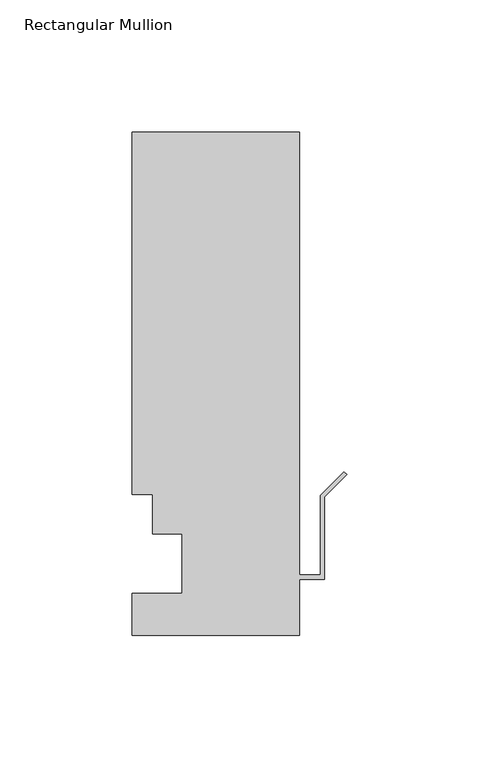
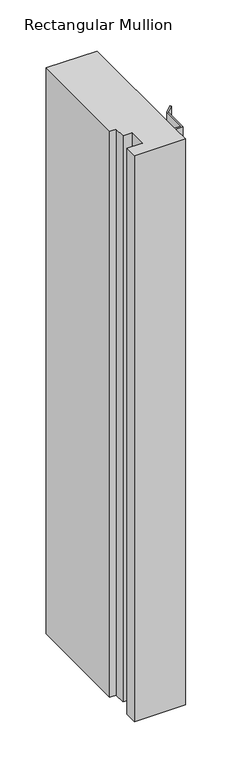
"""IFC4 building model written with IfcOpenShell, lengths in millimetres: member geometry, Rectangular Mullion."""

import ifcopenshell
import ifcopenshell.guid

model = None  # the IFC model being written
_history = None  # IfcOwnerHistory: only IFC2X3 demands one
_inside = {}  # id of a spatial element -> (the spatial element, [elements in it])
_under = {}  # id of a project, library or spatial element -> (it, [spatial elements below it])
_declared = {}  # id of a project -> (the project, [libraries it declares])
_typed = {}  # id of a type object -> (the type object, [elements of that type])
_made_of = {}  # id of a material, layer set ... -> (it, [elements and type objects made of it])


def new_model(schema):
    """Start an empty IFC model of exactly this schema.

    Asked for "IFC4X3", IfcOpenShell would pick the latest addendum, in which some entities
    have other attributes; the version numbers below select the first issue.
    IFC2X3 requires an IfcOwnerHistory on every rooted entity: one is made here for all.
    """
    global model, _history
    if schema == "IFC4X3":
        model = ifcopenshell.file(schema_version=(4, 3, 0, 0))
    else:
        model = ifcopenshell.file(schema=schema)
    _inside.clear()
    _under.clear()
    _declared.clear()
    _typed.clear()
    _made_of.clear()
    _history = None
    if model.schema == "IFC2X3":
        org = make("IfcOrganization", Name="unknown")
        user = make(
            "IfcPersonAndOrganization",
            ThePerson=make("IfcPerson", FamilyName="unknown"),
            TheOrganization=org,
        )
        app = make(
            "IfcApplication",
            ApplicationDeveloper=org,
            Version="unknown",
            ApplicationFullName="unknown",
            ApplicationIdentifier="unknown",
        )
        _history = make(
            "IfcOwnerHistory",
            OwningUser=user,
            OwningApplication=app,
            ChangeAction="ADDED",
            CreationDate=0,
        )
    return model


def make(cls, **values):
    """One entity of the class cls with the attributes given. An attribute that is None is left unset."""
    return model.create_entity(
        cls, **{name: value for name, value in values.items() if value is not None}
    )


def rooted(cls, **values):
    """An entity with a GlobalId (a new one), such as an element, a storey or a relation."""
    return make(cls, GlobalId=ifcopenshell.guid.new(), OwnerHistory=_history, **values)


def si_unit(unit_type, name, prefix=None):
    """IfcSIUnit, for example si_unit("LENGTHUNIT", "METRE", prefix="MILLI")."""
    return make("IfcSIUnit", UnitType=unit_type, Prefix=prefix, Name=name)


def assignment(units):
    """IfcUnitAssignment: the units of a project."""
    return None if units is None else make("IfcUnitAssignment", Units=units)


def point(xyz):
    """IfcCartesianPoint."""
    return None if xyz is None else make("IfcCartesianPoint", Coordinates=xyz)


def direction(xyz):
    """IfcDirection."""
    return None if xyz is None else make("IfcDirection", DirectionRatios=xyz)


def frame(location, z_axis=None, x_axis=None):
    """IfcAxis2Placement3D, a coordinate frame: its origin and axes. An axis left out is left unset."""
    return make(
        "IfcAxis2Placement3D",
        Location=point(location),
        Axis=direction(z_axis),
        RefDirection=direction(x_axis),
    )


def origin():
    """The frame at (0, 0, 0) with its axes left unset."""
    return frame((0.0, 0.0, 0.0))


def place(relative_to, where):
    """IfcLocalPlacement: puts the frame where relative to a parent placement (None: the world)."""
    return make(
        "IfcLocalPlacement", PlacementRelTo=relative_to, RelativePlacement=where
    )


def context(
    kind, dimensions, precision=None, world=None, true_north=None, identifier=None
):
    """IfcGeometricRepresentationContext, for example the 3D "Model" context."""
    return make(
        "IfcGeometricRepresentationContext",
        ContextIdentifier=identifier,
        ContextType=kind,
        CoordinateSpaceDimension=dimensions,
        Precision=precision,
        WorldCoordinateSystem=world,
        TrueNorth=true_north,
    )


def project(units=None, contexts=None):
    """IfcProject with its units and contexts."""
    return rooted(
        "IfcProject",
        Name="project",
        RepresentationContexts=contexts,
        UnitsInContext=assignment(units),
    )


def spatial(cls, under=None, at=None, **own):
    """A site, building, storey or space (cls), placed at a placement, below another one or the project."""
    s = rooted(cls, ObjectPlacement=at, **own)
    if under is not None:
        _under.setdefault(under.id(), (under, []))[1].append(s)
    return s


def polyline(points):
    """IfcPolyline through the points."""
    return make("IfcPolyline", Points=[point(p) for p in points])


def outline(outer, holes=None, kind="AREA"):
    """IfcArbitraryClosedProfileDef: a profile drawn as a closed curve; with holes, ...WithVoids."""
    if holes is None:
        return make("IfcArbitraryClosedProfileDef", ProfileType=kind, OuterCurve=outer)
    return make(
        "IfcArbitraryProfileDefWithVoids",
        ProfileType=kind,
        OuterCurve=outer,
        InnerCurves=holes,
    )


def extrude(swept, where, along, depth):
    """IfcExtrudedAreaSolid: the profile swept, set in the frame where, extruded along a direction by depth."""
    return make(
        "IfcExtrudedAreaSolid",
        SweptArea=swept,
        Position=where,
        ExtrudedDirection=direction(along),
        Depth=depth,
    )


def shape(context_of_items, identifier, shape_type, items):
    """IfcShapeRepresentation: the items that make up one representation, for example the "Body"."""
    return make(
        "IfcShapeRepresentation",
        ContextOfItems=context_of_items,
        RepresentationIdentifier=identifier,
        RepresentationType=shape_type,
        Items=items,
    )


def source(mapping_origin, context_of_items, identifier, shape_type, items):
    """IfcRepresentationMap: a shape defined once, which mapped items show again and again."""
    return make(
        "IfcRepresentationMap",
        MappingOrigin=mapping_origin,
        MappedRepresentation=shape(context_of_items, identifier, shape_type, items),
    )


def transform(
    local_origin,
    x_axis=None,
    y_axis=None,
    z_axis=None,
    scale=None,
    scale2=None,
    scale3=None,
    uniform=True,
):
    """IfcCartesianTransformationOperator3D, or its non-uniform kind. x_axis, y_axis, z_axis: its Axis1, 2, 3."""
    if uniform:
        return make(
            "IfcCartesianTransformationOperator3D",
            Axis1=direction(x_axis),
            Axis2=direction(y_axis),
            LocalOrigin=point(local_origin),
            Scale=scale,
            Axis3=direction(z_axis),
        )
    return make(
        "IfcCartesianTransformationOperator3DnonUniform",
        Axis1=direction(x_axis),
        Axis2=direction(y_axis),
        LocalOrigin=point(local_origin),
        Scale=scale,
        Axis3=direction(z_axis),
        Scale2=scale2,
        Scale3=scale3,
    )


def mapped(mapping_source, mapping_target):
    """IfcMappedItem: shows the shape of a source again, moved by a transform."""
    return make(
        "IfcMappedItem", MappingSource=mapping_source, MappingTarget=mapping_target
    )


def made_of(thing, what):
    """Note that an element or type object is made of a material, layer set ...; save() writes the relation."""
    if what is not None:
        _made_of.setdefault(what.id(), (what, []))[1].append(thing)
    return thing


def element(
    cls,
    number,
    at=None,
    inside=None,
    cuts=None,
    type_object=None,
    material=None,
    context=None,
    identifier="Body",
    shape_type=None,
    held_by="IfcProductDefinitionShape",
    body=None,
    shapes=None,
    **own,
):
    """One element of the class cls, such as IfcWall. Its Tag is "e" and its number.

    at: its placement. inside: the storey or other place that contains it. cuts: it is an
    opening in that element (IfcRelVoidsElement). A single representation is given by context,
    identifier, shape_type and body (its items); several are given by shapes. held_by: the class
    of the entity that holds the representations. save() writes the other relations.
    """
    e = rooted(cls, Tag="e%d" % number, ObjectPlacement=at, **own)
    if body is not None:
        shapes = [shape(context, identifier, shape_type, body)]
    if shapes is not None:
        e.Representation = make(held_by, Representations=shapes)
    if inside is not None:
        _inside.setdefault(inside.id(), (inside, []))[1].append(e)
    if cuts is not None:
        rooted(
            "IfcRelVoidsElement", RelatingBuildingElement=cuts, RelatedOpeningElement=e
        )
    if type_object is not None:
        _typed.setdefault(type_object.id(), (type_object, []))[1].append(e)
    return made_of(e, material)


def aggregate(whole, parts):
    """IfcRelAggregates: a whole, such as a stair, and the parts it consists of."""
    return rooted("IfcRelAggregates", RelatingObject=whole, RelatedObjects=parts)


def save(model, path):
    """Write the relations noted so far, then the file.

    IfcRelAggregates (storeys below a building ...), IfcRelContainedInSpatialStructure (elements
    in a storey), IfcRelDefinesByType, IfcRelAssociatesMaterial and IfcRelDeclares: one each for
    every whole, place, type object, material and project.
    """
    for whole, parts in _under.values():
        aggregate(whole, parts)
    for where, things in _inside.values():
        rooted(
            "IfcRelContainedInSpatialStructure",
            RelatedElements=things,
            RelatingStructure=where,
        )
    for kind, things in _typed.values():
        rooted("IfcRelDefinesByType", RelatedObjects=things, RelatingType=kind)
    for what, things in _made_of.values():
        rooted("IfcRelAssociatesMaterial", RelatedObjects=things, RelatingMaterial=what)
    for by, libraries in _declared.values():
        rooted("IfcRelDeclares", RelatingContext=by, RelatedDefinitions=libraries)
    model.write(path)


def rectangular_mullion_84e42d18(model_context):
    return source(origin(), model_context, "Body", "SweptSolid", [
        extrude(outline(polyline([(-81.5440079, 53.0629813), (-81.5440079, 190.4007813), (-18.0440079, 190.4007813), (-18.0440079, 22.4813813), (-10.0938079, 22.4813813), (-10.0938079, 52.6565813), (-1.1135518, 61.6368374), (0.0, 60.5232856), (-8.5190079, 52.0042777), (-8.5190079, 20.9065813), (-18.0440079, 20.9065813), (-18.0440079, -0.3278188), (-81.5440079, -0.3278188), (-81.5440079, 15.5217812), (-62.4940079, 15.5217812), (-62.4940079, 38.0007812), (-73.6192079, 38.0007812), (-73.6192079, 53.0629813), (-81.5440079, 53.0629813)])), frame((0.0, 0.0, -746.2855689), z_axis=(0.0, 0.0, 1.0), x_axis=(1.0, 0.0, 0.0)), (0.0, 0.0, 1.0), 746.2855689),
    ])


if __name__ == "__main__":
    model = new_model("IFC4")
    model_context = context("Model", 3, world=origin())
    ifc_project = project(units=[si_unit("LENGTHUNIT", "METRE", prefix="MILLI")], contexts=[model_context])
    site = spatial("IfcSite", under=ifc_project)
    building = spatial("IfcBuilding", under=site)
    placement = place(None, origin())
    rectangular_mullion_shape = rectangular_mullion_84e42d18(model_context)
    element("IfcMember", 1, ObjectType="Rectangular Mullion", at=placement, inside=building, context=model_context, shape_type="MappedRepresentation", body=[
        mapped(rectangular_mullion_shape, transform((0.0, 0.0, 0.0), x_axis=(1.0, 0.0, 0.0), y_axis=(0.0, 1.0, 0.0), z_axis=(0.0, 0.0, 1.0))),
    ])
    save(model, "model.ifc")
